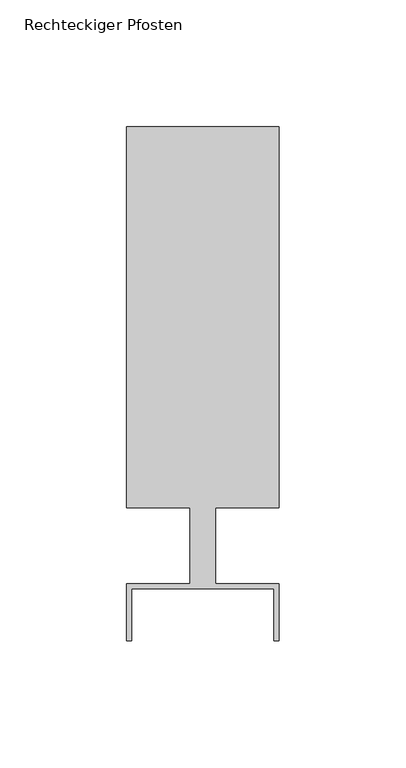
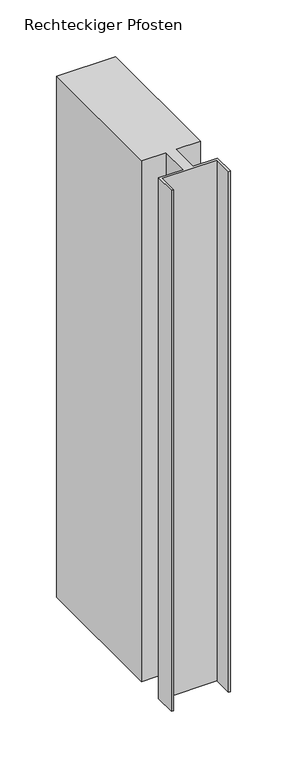
"""IFC4 building model written with IfcOpenShell, lengths in millimetres: member geometry, Rechteckiger Pfosten."""

from ifc_helpers import new_model, si_unit, frame, origin, place, context, project, spatial, polyline, outline, extrude, source, transform, mapped, element, save


def rechteckiger_pfosten_83c58833(model_context):
    return source(origin(), model_context, "Body", "SweptSolid", [
        extrude(outline(polyline([(-2.0, -37.5), (-2.0, -17.0), (-58.0, -17.0), (-58.0, -37.5), (-60.0, -37.5), (-60.0, -15.0), (-35.0, -15.0), (-35.0, 15.0), (-60.0, 15.0), (-60.0, 165.0), (0.0, 165.0), (0.0, 15.0), (-25.0, 15.0), (-25.0, -15.0), (0.0, -15.0), (0.0, -37.5), (-2.0, -37.5)])), frame((0.0, 0.0, -560.0), z_axis=(0.0, 0.0, 1.0), x_axis=(1.0, 0.0, 0.0)), (0.0, 0.0, 1.0), 560.0),
    ])


if __name__ == "__main__":
    model = new_model("IFC4")
    model_context = context("Model", 3, world=origin())
    ifc_project = project(units=[si_unit("LENGTHUNIT", "METRE", prefix="MILLI")], contexts=[model_context])
    site = spatial("IfcSite", under=ifc_project)
    building = spatial("IfcBuilding", under=site)
    placement = place(None, origin())
    rechteckiger_pfosten_shape = rechteckiger_pfosten_83c58833(model_context)
    element("IfcMember", 1, ObjectType="Rechteckiger Pfosten", at=placement, inside=building, context=model_context, shape_type="MappedRepresentation", body=[
        mapped(rechteckiger_pfosten_shape, transform((0.0, 0.0, 0.0), x_axis=(1.0, 0.0, 0.0), y_axis=(0.0, 1.0, 0.0), z_axis=(0.0, 0.0, 1.0))),
    ])
    save(model, "model.ifc")
